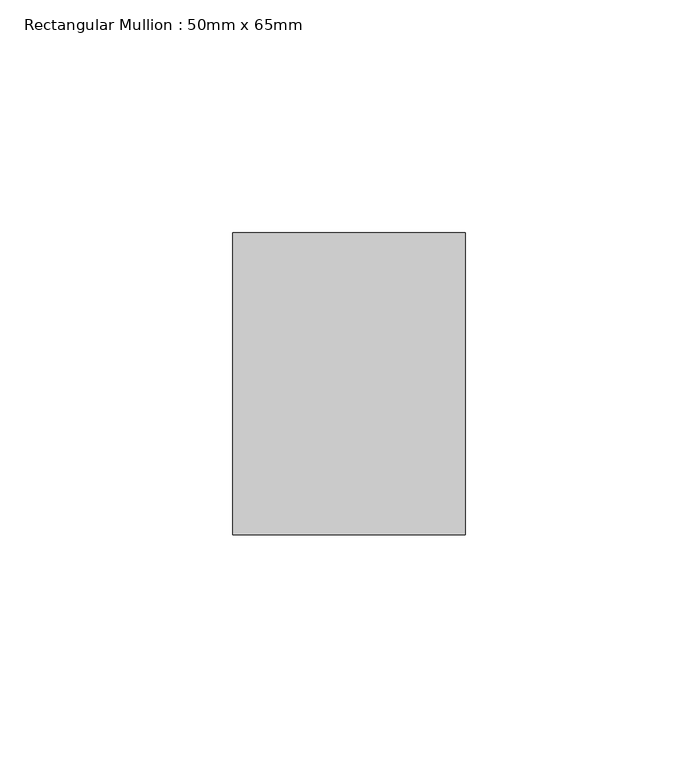
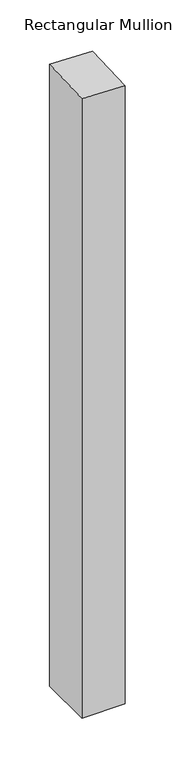
"""IFC4 building model written with IfcOpenShell, lengths in millimetres: member geometry, Rectangular Mullion : 50mm x 65mm."""

from ifc_helpers import new_model, si_unit, origin, place, context, project, spatial, faceted_brep, source, transform, mapped, element, save


def rectangular_mullion_50mm_x_65mm_8e0a2a40(model_context):
    return source(origin(), model_context, "Body", "Brep", [
        faceted_brep([(25.0, 32.5, -759.9389405), (25.0, -32.5, -759.9389405), (-25.0, -32.5, -759.9389405), (-25.0, 32.5, -759.9389405), (-25.0, 32.5, 2.249193), (25.0, 32.5, 0.5989551), (-25.0, -32.5, -0.5989551), (25.0, -32.5, -2.249193)], [[[0, 1, 2, 3]], [[4, 5, 0, 3]], [[6, 4, 3, 2]], [[7, 6, 2, 1]], [[5, 7, 1, 0]], [[5, 4, 6, 7]]]),
    ])


if __name__ == "__main__":
    model = new_model("IFC4")
    model_context = context("Model", 3, world=origin())
    ifc_project = project(units=[si_unit("LENGTHUNIT", "METRE", prefix="MILLI")], contexts=[model_context])
    site = spatial("IfcSite", under=ifc_project)
    building = spatial("IfcBuilding", under=site)
    placement = place(None, origin())
    rectangular_mullion_50mm_x_65mm_shape = rectangular_mullion_50mm_x_65mm_8e0a2a40(model_context)
    element("IfcMember", 1, ObjectType="Rectangular Mullion : 50mm x 65mm", at=placement, inside=building, context=model_context, shape_type="MappedRepresentation", body=[
        mapped(rectangular_mullion_50mm_x_65mm_shape, transform((0.0, 0.0, 0.0), x_axis=(1.0, 0.0, 0.0), y_axis=(0.0, 1.0, 0.0), z_axis=(0.0, 0.0, 1.0))),
    ])
    save(model, "model.ifc")
